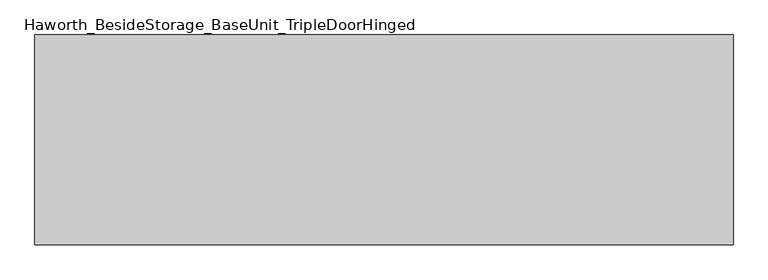
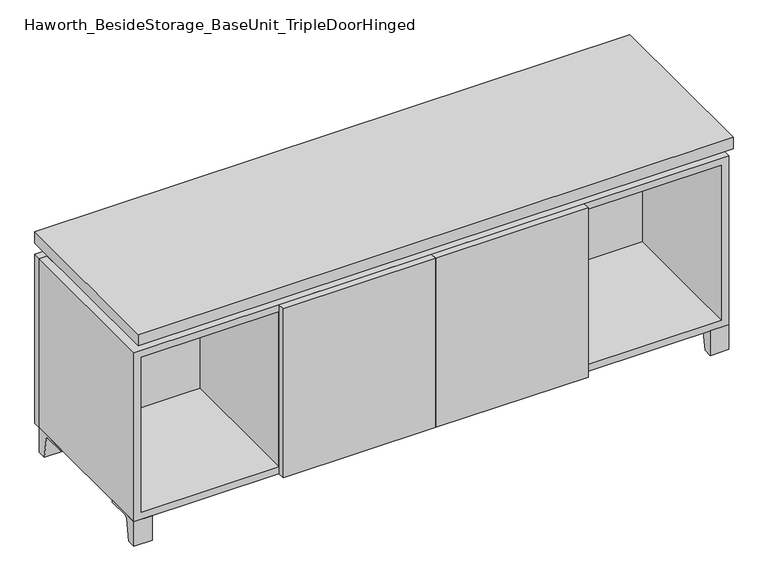
"""IFC4 building model written with IfcOpenShell, lengths in millimetres: furniture geometry, Haworth_BesideStorage_BaseUnit_TripleDoorHinged."""

from ifc_helpers import new_model, si_unit, point, frame, frame_2d, origin, place, context, project, spatial, polyline, circle_curve, trimmed, segment, composite_curve, outline, extrude, faceted_brep, source, transform, mapped, element, save


def haworth_besidestorage_baseunit_tripledoorhinged_6904d3de(model_context):
    return source(origin(), model_context, "Body", "SolidModel", [
        extrude(outline(composite_curve([segment(polyline([(38.6291531, 0.0), (15.875, 0.0), (15.875, 66.675), (111.125, 66.675), (111.125, 61.8963321), (54.3244655, 61.8963321)]), True, "CONTINUOUS"), segment(trimmed(circle_curve(frame_2d((54.3244655, 55.5463321)), 6.35), [point((54.3244655, 61.8963321))], [point((48.0608641, 56.5902656))], True, "CARTESIAN"), True, "CONTINUOUS"), segment(polyline([(48.0608641, 56.5902656), (38.6291531, 0.0)]), True, "CONTINUOUS")], self_intersect=False)), frame((-23.7986094, 0.0, 0.0), z_axis=(1.0, 0.0, 0.0), x_axis=(0.0, 1.0, 0.0)), (0.0, 0.0, 1.0), 47.625),
        extrude(outline(composite_curve([segment(polyline([(-129.6458469, 0.0), (-152.4, 0.0), (-152.4, 66.675), (-57.15, 66.675), (-57.15, 61.8963321), (-113.9505345, 61.8963321)]), True, "CONTINUOUS"), segment(trimmed(circle_curve(frame_2d((-113.9505345, 55.5463321)), 6.35), [point((-113.9505345, 61.8963321))], [point((-120.2141359, 56.5902656))], True, "CARTESIAN"), True, "CONTINUOUS"), segment(polyline([(-120.2141359, 56.5902656), (-129.6458469, 0.0)]), True, "CONTINUOUS")], self_intersect=False)), frame((712.8013906, 0.0, 0.0), z_axis=(1.0, 0.0, 0.0), x_axis=(0.0, 1.0, 0.0)), (0.0, 0.0, 1.0), 47.625),
        extrude(outline(composite_curve([segment(polyline([(243.9458469, 0.0), (234.5141359, 56.5902656)]), True, "CONTINUOUS"), segment(trimmed(circle_curve(frame_2d((228.2505345, 55.5463321)), 6.35), [point((234.5141359, 56.5902656))], [point((228.2505345, 61.8963321))], True, "CARTESIAN"), True, "CONTINUOUS"), segment(polyline([(228.2505345, 61.8963321), (171.45, 61.8963321), (171.45, 66.675), (266.7, 66.675), (266.7, 0.0), (243.9458469, 0.0)]), True, "CONTINUOUS")], self_intersect=False)), frame((712.8013906, 0.0, 0.0), z_axis=(1.0, 0.0, 0.0), x_axis=(0.0, 1.0, 0.0)), (0.0, 0.0, 1.0), 47.625),
        extrude(outline(composite_curve([segment(polyline([(-129.6458469, 0.0), (-152.4, 0.0), (-152.4, 66.675), (-57.15, 66.675), (-57.15, 61.8963321), (-113.9505345, 61.8963321)]), True, "CONTINUOUS"), segment(trimmed(circle_curve(frame_2d((-113.9505345, 55.5463321)), 6.35), [point((-113.9505345, 61.8963321))], [point((-120.2141359, 56.5902656))], True, "CARTESIAN"), True, "CONTINUOUS"), segment(polyline([(-120.2141359, 56.5902656), (-129.6458469, 0.0)]), True, "CONTINUOUS")], self_intersect=False)), frame((-760.3986094, 0.0, 0.0), z_axis=(1.0, 0.0, 0.0), x_axis=(0.0, 1.0, 0.0)), (0.0, 0.0, 1.0), 47.625),
        extrude(outline(composite_curve([segment(polyline([(243.9458469, 0.0), (234.5141359, 56.5902656)]), True, "CONTINUOUS"), segment(trimmed(circle_curve(frame_2d((228.2505345, 55.5463321)), 6.35), [point((234.5141359, 56.5902656))], [point((228.2505345, 61.8963321))], True, "CARTESIAN"), True, "CONTINUOUS"), segment(polyline([(228.2505345, 61.8963321), (171.45, 61.8963321), (171.45, 66.675), (266.7, 66.675), (266.7, 0.0), (243.9458469, 0.0)]), True, "CONTINUOUS")], self_intersect=False)), frame((-760.3986094, 0.0, 0.0), z_axis=(1.0, 0.0, 0.0), x_axis=(0.0, 1.0, 0.0)), (0.0, 0.0, 1.0), 47.625),
        faceted_brep([(-760.3986094, -152.4, 66.675), (760.4125, -152.4, 66.675), (760.4125, -152.4, 523.875), (-760.3986094, -152.4, 523.875), (-741.3486094, -152.4, 85.725), (-741.3486094, -152.4, 504.825), (741.3694453, -152.4, 504.825), (741.3486094, -152.4, 85.725), (-760.3986094, 266.7, 66.675), (-760.3986094, 266.7, 523.875), (-741.3486094, 266.7, 523.875), (-741.3486094, 266.7, 85.725), (741.3486094, 266.7, 85.725), (741.3486094, 266.7, 523.875), (760.4125, 266.7, 523.875), (760.4125, 266.7, 66.675), (741.3486094, 241.3, 523.875), (-741.3416641, 241.3, 523.875), (-741.3486094, 241.3, 504.825), (741.3486094, 241.3, 504.825)], [[[0, 1, 2, 3], [4, 5, 6, 7]], [[8, 9, 10, 11, 12, 13, 14, 15]], [[1, 0, 8, 15]], [[2, 1, 15, 14]], [[3, 2, 14, 13, 16, 17, 10, 9]], [[0, 3, 9, 8]], [[11, 10, 17, 18, 5, 4]], [[13, 12, 7, 6, 19, 16]], [[4, 7, 12, 11]], [[6, 5, 18, 19]], [[17, 16, 19, 18]]]),
        extrude(outline(polyline([(760.4263906, -171.45), (-760.3986094, -171.45), (-760.3986094, 285.75), (760.4263906, 285.75), (760.4263906, -171.45)])), frame((0.0, 0.0, 554.0375), z_axis=(0.0, 0.0, 1.0), x_axis=(1.0, 0.0, 0.0)), (0.0, 0.0, 1.0), 30.1625),
        faceted_brep([(7.9513906, -76.2, 554.0375), (7.9513906, -76.2, 523.875), (7.9513906, 47.625, 523.875), (7.9513906, 47.625, 554.0375), (7.9513906, 190.5, 523.875), (7.9513906, 190.5, 554.0375), (7.9513906, 66.675, 554.0375), (7.9513906, 66.675, 523.875), (-7.9236094, 190.5, 554.0375), (-7.9236094, 190.5, 523.875), (-7.9236094, 66.675, 523.875), (-7.9236094, 66.675, 554.0375), (-7.9236094, -76.2, 523.875), (-7.9236094, -76.2, 554.0375), (-7.9236094, 47.625, 554.0375), (-7.9236094, 47.625, 523.875), (-719.0958281, 66.675, 554.0375), (-719.1166641, 241.3, 554.0375), (-734.9916641, 241.3, 554.0375), (-734.9916641, -127.0, 554.0375), (-719.1166641, -127.0, 554.0375), (-719.1166641, 47.625, 554.0375), (719.1236094, 47.625, 554.0375), (719.1236094, -127.0, 554.0375), (734.9986094, -127.0, 554.0375), (734.9986094, 241.3, 554.0375), (719.1236094, 241.3, 554.0375), (719.1236094, 66.675, 554.0375), (-719.0958281, 47.625, 523.875), (-719.1166641, -127.0, 523.875), (-734.9916641, -127.0, 523.875), (-734.9916641, 241.3, 523.875), (-719.1166641, 241.3, 523.875), (-719.1166641, 66.675, 523.875), (719.1236094, 66.675, 523.875), (719.1236094, 241.3, 523.875), (734.9986094, 241.3, 523.875), (734.9986094, -127.0, 523.875), (719.1236094, -127.0, 523.875), (719.1236094, 47.625, 523.875)], [[[0, 1, 2, 3]], [[4, 5, 6, 7]], [[8, 9, 10, 11]], [[12, 13, 14, 15]], [[5, 8, 11, 16, 17, 18, 19, 20, 21, 14, 13, 0, 3, 22, 23, 24, 25, 26, 27, 6]], [[1, 12, 15, 28, 29, 30, 31, 32, 33, 10, 9, 4, 7, 34, 35, 36, 37, 38, 39, 2]], [[5, 4, 9, 8]], [[1, 0, 13, 12]], [[6, 27, 34, 7]], [[22, 3, 2, 39]], [[20, 29, 28, 21]], [[32, 17, 16, 33]], [[18, 31, 30, 19]], [[29, 20, 19, 30]], [[17, 32, 31, 18]], [[26, 35, 34, 27]], [[38, 23, 22, 39]], [[25, 24, 37, 36]], [[23, 38, 37, 24]], [[35, 26, 25, 36]], [[16, 11, 10, 33]], [[14, 21, 28, 15]]]),
        extrude(outline(polyline([(760.4263906, 266.7), (-760.3986094, 266.7), (-760.3986094, 285.75), (760.4263906, 285.75), (760.4263906, 266.7)])), frame((0.0, 0.0, 66.675), z_axis=(0.0, 0.0, 1.0), x_axis=(1.0, 0.0, 0.0)), (0.0, 0.0, 1.0), 457.2),
        extrude(outline(polyline([(-741.3416641, 196.85), (-741.3416641, 203.2), (741.3694453, 203.2), (741.3694453, 196.85), (-741.3416641, 196.85)])), frame((0.0, 0.0, 85.725), z_axis=(0.0, 0.0, 1.0), x_axis=(1.0, 0.0, 0.0)), (0.0, 0.0, 1.0), 419.1),
        extrude(outline(polyline([(0.0138906, -171.45), (0.0138906, -152.4), (389.7451406, -152.4), (389.7451406, -171.45), (0.0138906, -171.45)])), frame((0.0, 0.0, 66.675), z_axis=(0.0, 0.0, 1.0), x_axis=(1.0, 0.0, 0.0)), (0.0, 0.0, 1.0), 457.2),
        extrude(outline(polyline([(0.0138906, -171.45), (-389.7173594, -171.45), (-389.7173594, -152.4), (0.0138906, -152.4), (0.0138906, -171.45)])), frame((0.0, 0.0, 66.675), z_axis=(0.0, 0.0, 1.0), x_axis=(1.0, 0.0, 0.0)), (0.0, 0.0, 1.0), 457.2),
        extrude(outline(polyline([(370.6951406, 196.85), (389.7451406, 196.85), (389.7451406, -152.4), (370.6951406, -152.4), (370.6951406, 196.85)])), frame((0.0, 0.0, 85.725), z_axis=(0.0, 0.0, 1.0), x_axis=(1.0, 0.0, 0.0)), (0.0, 0.0, 1.0), 419.1),
        extrude(outline(polyline([(-389.7173594, 196.85), (-370.6673594, 196.85), (-370.6673594, -152.4), (-389.7173594, -152.4), (-389.7173594, 196.85)])), frame((0.0, 0.0, 85.725), z_axis=(0.0, 0.0, 1.0), x_axis=(1.0, 0.0, 0.0)), (0.0, 0.0, 1.0), 419.1),
    ])


if __name__ == "__main__":
    model = new_model("IFC4")
    model_context = context("Model", 3, world=origin())
    ifc_project = project(units=[si_unit("LENGTHUNIT", "METRE", prefix="MILLI")], contexts=[model_context])
    site = spatial("IfcSite", under=ifc_project)
    building = spatial("IfcBuilding", under=site)
    placement = place(None, origin())
    haworth_besidestorage_baseunit_tripledoorhinged_shape = haworth_besidestorage_baseunit_tripledoorhinged_6904d3de(model_context)
    element("IfcFurniture", 1, ObjectType="Haworth_BesideStorage_BaseUnit_TripleDoorHinged", at=placement, inside=building, context=model_context, shape_type="MappedRepresentation", body=[
        mapped(haworth_besidestorage_baseunit_tripledoorhinged_shape, transform((0.0, 0.0, 0.0), x_axis=(1.0, 0.0, 0.0), y_axis=(0.0, 1.0, 0.0), z_axis=(0.0, 0.0, 1.0))),
    ])
    save(model, "model.ifc")
